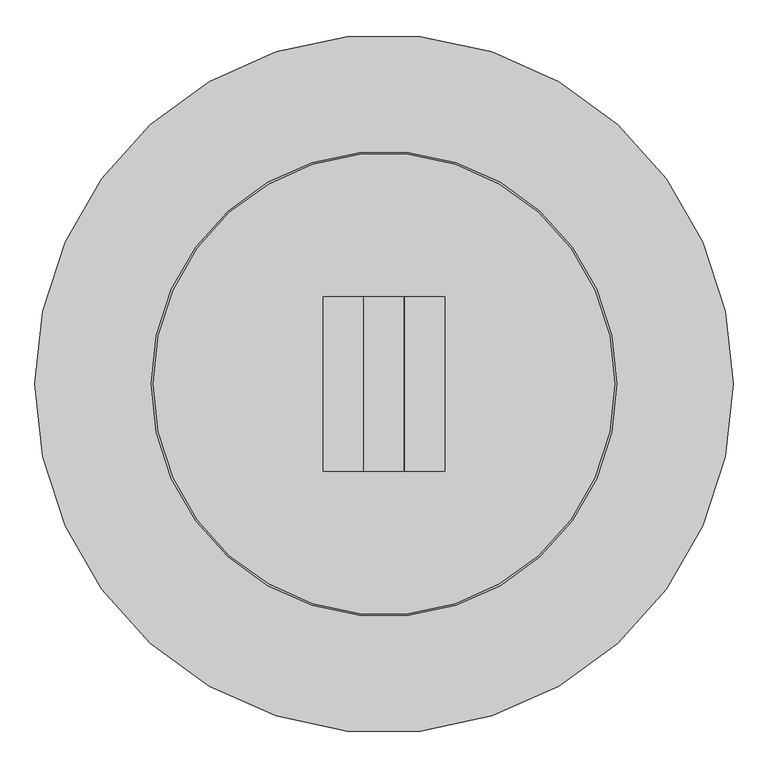
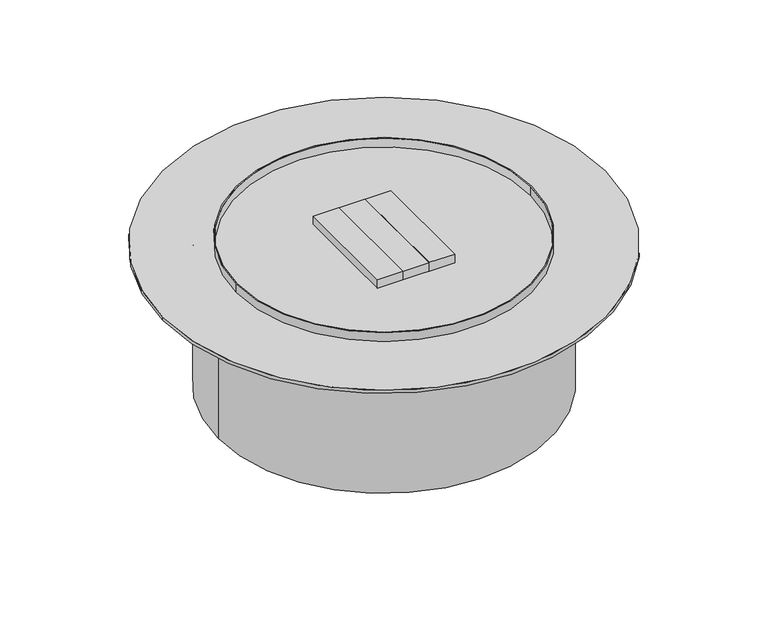
"""IFC4 building model written with IfcOpenShell, lengths in millimetres: proxy geometry."""

from ifc_helpers import new_model, si_unit, point, frame, origin, origin_with_axes, origin_2d, place, context, project, spatial, polyline, circle_curve, trimmed, segment, composite_curve, outline, extrude, source, transform, mapped, element, save


def generic_models_eb185697(model_context):
    return source(origin(), model_context, "Body", "SweptSolid", [
        extrude(outline(polyline([(36.449, -152.4), (36.449, 152.4), (106.299, 152.4), (106.299, -152.4), (36.449, -152.4)])), frame((0.0, 0.0, 406.4), z_axis=(0.0, 0.0, 1.0), x_axis=(1.0, 0.0, 0.0)), (0.0, 0.0, 1.0), 25.4),
        extrude(outline(composite_curve([segment(trimmed(circle_curve(origin_2d(), 406.4), [point((-406.4, 0.0))], [point((406.4, 0.0))], False, "CARTESIAN"), True, "CONTINUOUS"), segment(trimmed(circle_curve(origin_2d(), 406.4), [point((406.4, 0.0))], [point((-406.4, 0.0))], False, "CARTESIAN"), True, "CONTINUOUS")], self_intersect=False), holes=[composite_curve([segment(trimmed(circle_curve(origin_2d(), 403.225), [point((-403.225, 0.0))], [point((403.225, 0.0))], True, "CARTESIAN"), True, "CONTINUOUS"), segment(trimmed(circle_curve(origin_2d(), 403.225), [point((403.225, 0.0))], [point((-403.225, 0.0))], True, "CARTESIAN"), True, "CONTINUOUS")], self_intersect=False)]), frame((0.0, 0.0, 406.4), z_axis=(0.0, 0.0, 1.0), x_axis=(1.0, 0.0, 0.0)), (0.0, 0.0, 1.0), 25.4),
        extrude(outline(composite_curve([segment(trimmed(circle_curve(origin_2d(), 609.6), [point((-609.6, 0.0))], [point((609.6, 0.0))], False, "CARTESIAN"), True, "CONTINUOUS"), segment(trimmed(circle_curve(origin_2d(), 609.6), [point((609.6, 0.0))], [point((-609.6, 0.0))], False, "CARTESIAN"), True, "CONTINUOUS")], self_intersect=False)), frame((0.0, 0.0, 396.875), z_axis=(0.0, 0.0, 1.0), x_axis=(1.0, 0.0, 0.0)), (0.0, 0.0, 1.0), 9.525),
        extrude(outline(polyline([(-36.449, -152.4), (-106.299, -152.4), (-106.299, 152.4), (-36.449, 152.4), (-36.449, -152.4)])), frame((0.0, 0.0, 406.4), z_axis=(0.0, 0.0, 1.0), x_axis=(1.0, 0.0, 0.0)), (0.0, 0.0, 1.0), 25.4),
        extrude(outline(polyline([(-34.925, -152.4), (-34.925, 152.4), (34.925, 152.4), (34.925, -152.4), (-34.925, -152.4)])), frame((0.0, 0.0, 406.4), z_axis=(0.0, 0.0, 1.0), x_axis=(1.0, 0.0, 0.0)), (0.0, 0.0, 1.0), 25.4),
        extrude(outline(composite_curve([segment(trimmed(circle_curve(origin_2d(), 457.2), [point((-457.2, 0.0))], [point((457.2, 0.0))], False, "CARTESIAN"), True, "CONTINUOUS"), segment(trimmed(circle_curve(origin_2d(), 457.2), [point((457.2, 0.0))], [point((-457.2, 0.0))], False, "CARTESIAN"), True, "CONTINUOUS")], self_intersect=False)), origin_with_axes(), (0.0, 0.0, 1.0), 396.875),
    ])


if __name__ == "__main__":
    model = new_model("IFC4")
    model_context = context("Model", 3, world=origin())
    ifc_project = project(units=[si_unit("LENGTHUNIT", "METRE", prefix="MILLI")], contexts=[model_context])
    site = spatial("IfcSite", under=ifc_project)
    building = spatial("IfcBuilding", under=site)
    placement = place(None, origin())
    generic_models_shape = generic_models_eb185697(model_context)
    element("IfcBuildingElementProxy", 1, Name="Generic Models", at=placement, inside=building, context=model_context, shape_type="MappedRepresentation", body=[
        mapped(generic_models_shape, transform((0.0, 0.0, 0.0), x_axis=(1.0, 0.0, 0.0), y_axis=(0.0, 1.0, 0.0), z_axis=(0.0, 0.0, 1.0))),
    ])
    save(model, "model.ifc")
